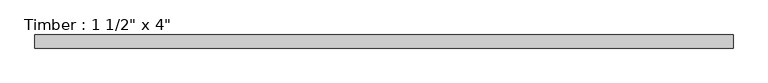
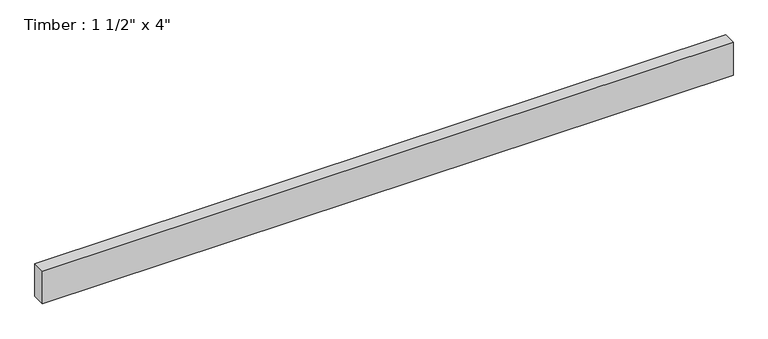
"""IFC4 building model written with IfcOpenShell, lengths in millimetres: beam geometry."""

import ifcopenshell
import ifcopenshell.guid

model = None  # the IFC model being written
_history = None  # IfcOwnerHistory: only IFC2X3 demands one
_inside = {}  # id of a spatial element -> (the spatial element, [elements in it])
_under = {}  # id of a project, library or spatial element -> (it, [spatial elements below it])
_declared = {}  # id of a project -> (the project, [libraries it declares])
_typed = {}  # id of a type object -> (the type object, [elements of that type])
_made_of = {}  # id of a material, layer set ... -> (it, [elements and type objects made of it])


def new_model(schema):
    """Start an empty IFC model of exactly this schema.

    Asked for "IFC4X3", IfcOpenShell would pick the latest addendum, in which some entities
    have other attributes; the version numbers below select the first issue.
    IFC2X3 requires an IfcOwnerHistory on every rooted entity: one is made here for all.
    """
    global model, _history
    if schema == "IFC4X3":
        model = ifcopenshell.file(schema_version=(4, 3, 0, 0))
    else:
        model = ifcopenshell.file(schema=schema)
    _inside.clear()
    _under.clear()
    _declared.clear()
    _typed.clear()
    _made_of.clear()
    _history = None
    if model.schema == "IFC2X3":
        org = make("IfcOrganization", Name="unknown")
        user = make(
            "IfcPersonAndOrganization",
            ThePerson=make("IfcPerson", FamilyName="unknown"),
            TheOrganization=org,
        )
        app = make(
            "IfcApplication",
            ApplicationDeveloper=org,
            Version="unknown",
            ApplicationFullName="unknown",
            ApplicationIdentifier="unknown",
        )
        _history = make(
            "IfcOwnerHistory",
            OwningUser=user,
            OwningApplication=app,
            ChangeAction="ADDED",
            CreationDate=0,
        )
    return model


def make(cls, **values):
    """One entity of the class cls with the attributes given. An attribute that is None is left unset."""
    return model.create_entity(
        cls, **{name: value for name, value in values.items() if value is not None}
    )


def rooted(cls, **values):
    """An entity with a GlobalId (a new one), such as an element, a storey or a relation."""
    return make(cls, GlobalId=ifcopenshell.guid.new(), OwnerHistory=_history, **values)


def si_unit(unit_type, name, prefix=None):
    """IfcSIUnit, for example si_unit("LENGTHUNIT", "METRE", prefix="MILLI")."""
    return make("IfcSIUnit", UnitType=unit_type, Prefix=prefix, Name=name)


def assignment(units):
    """IfcUnitAssignment: the units of a project."""
    return None if units is None else make("IfcUnitAssignment", Units=units)


def point(xyz):
    """IfcCartesianPoint."""
    return None if xyz is None else make("IfcCartesianPoint", Coordinates=xyz)


def direction(xyz):
    """IfcDirection."""
    return None if xyz is None else make("IfcDirection", DirectionRatios=xyz)


def frame(location, z_axis=None, x_axis=None):
    """IfcAxis2Placement3D, a coordinate frame: its origin and axes. An axis left out is left unset."""
    return make(
        "IfcAxis2Placement3D",
        Location=point(location),
        Axis=direction(z_axis),
        RefDirection=direction(x_axis),
    )


def origin():
    """The frame at (0, 0, 0) with its axes left unset."""
    return frame((0.0, 0.0, 0.0))


def place(relative_to, where):
    """IfcLocalPlacement: puts the frame where relative to a parent placement (None: the world)."""
    return make(
        "IfcLocalPlacement", PlacementRelTo=relative_to, RelativePlacement=where
    )


def context(
    kind, dimensions, precision=None, world=None, true_north=None, identifier=None
):
    """IfcGeometricRepresentationContext, for example the 3D "Model" context."""
    return make(
        "IfcGeometricRepresentationContext",
        ContextIdentifier=identifier,
        ContextType=kind,
        CoordinateSpaceDimension=dimensions,
        Precision=precision,
        WorldCoordinateSystem=world,
        TrueNorth=true_north,
    )


def project(units=None, contexts=None):
    """IfcProject with its units and contexts."""
    return rooted(
        "IfcProject",
        Name="project",
        RepresentationContexts=contexts,
        UnitsInContext=assignment(units),
    )


def spatial(cls, under=None, at=None, **own):
    """A site, building, storey or space (cls), placed at a placement, below another one or the project."""
    s = rooted(cls, ObjectPlacement=at, **own)
    if under is not None:
        _under.setdefault(under.id(), (under, []))[1].append(s)
    return s


def polyline(points):
    """IfcPolyline through the points."""
    return make("IfcPolyline", Points=[point(p) for p in points])


def outline(outer, holes=None, kind="AREA"):
    """IfcArbitraryClosedProfileDef: a profile drawn as a closed curve; with holes, ...WithVoids."""
    if holes is None:
        return make("IfcArbitraryClosedProfileDef", ProfileType=kind, OuterCurve=outer)
    return make(
        "IfcArbitraryProfileDefWithVoids",
        ProfileType=kind,
        OuterCurve=outer,
        InnerCurves=holes,
    )


def extrude(swept, where, along, depth):
    """IfcExtrudedAreaSolid: the profile swept, set in the frame where, extruded along a direction by depth."""
    return make(
        "IfcExtrudedAreaSolid",
        SweptArea=swept,
        Position=where,
        ExtrudedDirection=direction(along),
        Depth=depth,
    )


def shape(context_of_items, identifier, shape_type, items):
    """IfcShapeRepresentation: the items that make up one representation, for example the "Body"."""
    return make(
        "IfcShapeRepresentation",
        ContextOfItems=context_of_items,
        RepresentationIdentifier=identifier,
        RepresentationType=shape_type,
        Items=items,
    )


def source(mapping_origin, context_of_items, identifier, shape_type, items):
    """IfcRepresentationMap: a shape defined once, which mapped items show again and again."""
    return make(
        "IfcRepresentationMap",
        MappingOrigin=mapping_origin,
        MappedRepresentation=shape(context_of_items, identifier, shape_type, items),
    )


def transform(
    local_origin,
    x_axis=None,
    y_axis=None,
    z_axis=None,
    scale=None,
    scale2=None,
    scale3=None,
    uniform=True,
):
    """IfcCartesianTransformationOperator3D, or its non-uniform kind. x_axis, y_axis, z_axis: its Axis1, 2, 3."""
    if uniform:
        return make(
            "IfcCartesianTransformationOperator3D",
            Axis1=direction(x_axis),
            Axis2=direction(y_axis),
            LocalOrigin=point(local_origin),
            Scale=scale,
            Axis3=direction(z_axis),
        )
    return make(
        "IfcCartesianTransformationOperator3DnonUniform",
        Axis1=direction(x_axis),
        Axis2=direction(y_axis),
        LocalOrigin=point(local_origin),
        Scale=scale,
        Axis3=direction(z_axis),
        Scale2=scale2,
        Scale3=scale3,
    )


def mapped(mapping_source, mapping_target):
    """IfcMappedItem: shows the shape of a source again, moved by a transform."""
    return make(
        "IfcMappedItem", MappingSource=mapping_source, MappingTarget=mapping_target
    )


def made_of(thing, what):
    """Note that an element or type object is made of a material, layer set ...; save() writes the relation."""
    if what is not None:
        _made_of.setdefault(what.id(), (what, []))[1].append(thing)
    return thing


def element(
    cls,
    number,
    at=None,
    inside=None,
    cuts=None,
    type_object=None,
    material=None,
    context=None,
    identifier="Body",
    shape_type=None,
    held_by="IfcProductDefinitionShape",
    body=None,
    shapes=None,
    **own,
):
    """One element of the class cls, such as IfcWall. Its Tag is "e" and its number.

    at: its placement. inside: the storey or other place that contains it. cuts: it is an
    opening in that element (IfcRelVoidsElement). A single representation is given by context,
    identifier, shape_type and body (its items); several are given by shapes. held_by: the class
    of the entity that holds the representations. save() writes the other relations.
    """
    e = rooted(cls, Tag="e%d" % number, ObjectPlacement=at, **own)
    if body is not None:
        shapes = [shape(context, identifier, shape_type, body)]
    if shapes is not None:
        e.Representation = make(held_by, Representations=shapes)
    if inside is not None:
        _inside.setdefault(inside.id(), (inside, []))[1].append(e)
    if cuts is not None:
        rooted(
            "IfcRelVoidsElement", RelatingBuildingElement=cuts, RelatedOpeningElement=e
        )
    if type_object is not None:
        _typed.setdefault(type_object.id(), (type_object, []))[1].append(e)
    return made_of(e, material)


def aggregate(whole, parts):
    """IfcRelAggregates: a whole, such as a stair, and the parts it consists of."""
    return rooted("IfcRelAggregates", RelatingObject=whole, RelatedObjects=parts)


def save(model, path):
    """Write the relations noted so far, then the file.

    IfcRelAggregates (storeys below a building ...), IfcRelContainedInSpatialStructure (elements
    in a storey), IfcRelDefinesByType, IfcRelAssociatesMaterial and IfcRelDeclares: one each for
    every whole, place, type object, material and project.
    """
    for whole, parts in _under.values():
        aggregate(whole, parts)
    for where, things in _inside.values():
        rooted(
            "IfcRelContainedInSpatialStructure",
            RelatedElements=things,
            RelatingStructure=where,
        )
    for kind, things in _typed.values():
        rooted("IfcRelDefinesByType", RelatedObjects=things, RelatingType=kind)
    for what, things in _made_of.values():
        rooted("IfcRelAssociatesMaterial", RelatedObjects=things, RelatingMaterial=what)
    for by, libraries in _declared.values():
        rooted("IfcRelDeclares", RelatingContext=by, RelatedDefinitions=libraries)
    model.write(path)


def beam_b1db5415(model_context):
    return source(origin(), model_context, "Body", "SweptSolid", [
        extrude(outline(polyline([(1012.9620899, 19.05), (1012.9620899, -19.05), (-1012.9620899, -19.05), (-1012.9620899, 19.05), (1012.9620899, 19.05)])), frame((0.0, 0.0, -50.8), z_axis=(0.0, 0.0, 1.0), x_axis=(1.0, 0.0, 0.0)), (0.0, 0.0, 1.0), 101.6),
    ])


if __name__ == "__main__":
    model = new_model("IFC4")
    model_context = context("Model", 3, world=origin())
    ifc_project = project(units=[si_unit("LENGTHUNIT", "METRE", prefix="MILLI")], contexts=[model_context])
    site = spatial("IfcSite", under=ifc_project)
    building = spatial("IfcBuilding", under=site)
    placement = place(None, origin())
    beam_shape = beam_b1db5415(model_context)
    element("IfcBeam", 1, ObjectType="Timber : 1 1/2\" x 4\"", at=placement, inside=building, context=model_context, shape_type="MappedRepresentation", body=[
        mapped(beam_shape, transform((0.0, 0.0, 0.0), x_axis=(1.0, 0.0, 0.0), y_axis=(0.0, 1.0, 0.0), z_axis=(0.0, 0.0, 1.0))),
    ])
    save(model, "model.ifc")
